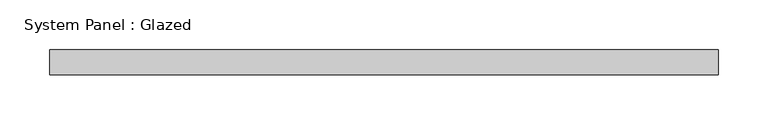
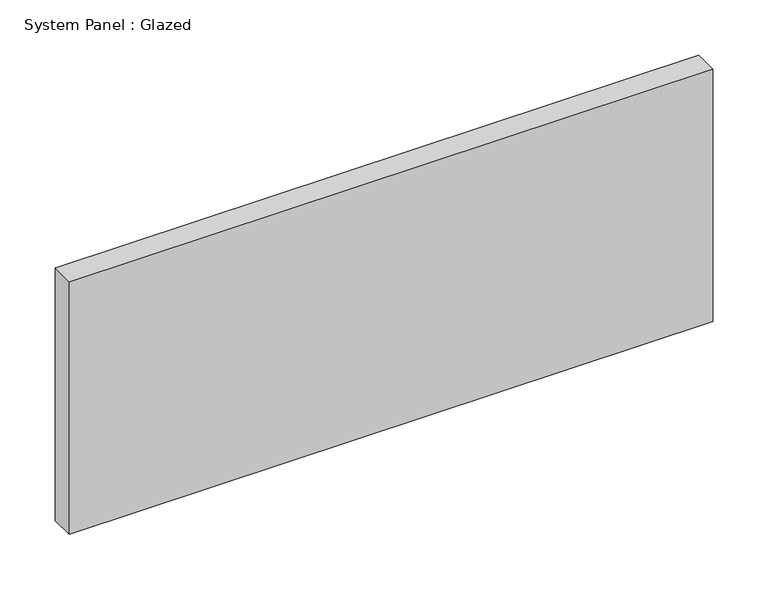
"""IFC4 building model written with IfcOpenShell, lengths in millimetres: plate geometry, System Panel : Glazed."""

import ifcopenshell
import ifcopenshell.guid

model = None  # the IFC model being written
_history = None  # IfcOwnerHistory: only IFC2X3 demands one
_inside = {}  # id of a spatial element -> (the spatial element, [elements in it])
_under = {}  # id of a project, library or spatial element -> (it, [spatial elements below it])
_declared = {}  # id of a project -> (the project, [libraries it declares])
_typed = {}  # id of a type object -> (the type object, [elements of that type])
_made_of = {}  # id of a material, layer set ... -> (it, [elements and type objects made of it])


def new_model(schema):
    """Start an empty IFC model of exactly this schema.

    Asked for "IFC4X3", IfcOpenShell would pick the latest addendum, in which some entities
    have other attributes; the version numbers below select the first issue.
    IFC2X3 requires an IfcOwnerHistory on every rooted entity: one is made here for all.
    """
    global model, _history
    if schema == "IFC4X3":
        model = ifcopenshell.file(schema_version=(4, 3, 0, 0))
    else:
        model = ifcopenshell.file(schema=schema)
    _inside.clear()
    _under.clear()
    _declared.clear()
    _typed.clear()
    _made_of.clear()
    _history = None
    if model.schema == "IFC2X3":
        org = make("IfcOrganization", Name="unknown")
        user = make(
            "IfcPersonAndOrganization",
            ThePerson=make("IfcPerson", FamilyName="unknown"),
            TheOrganization=org,
        )
        app = make(
            "IfcApplication",
            ApplicationDeveloper=org,
            Version="unknown",
            ApplicationFullName="unknown",
            ApplicationIdentifier="unknown",
        )
        _history = make(
            "IfcOwnerHistory",
            OwningUser=user,
            OwningApplication=app,
            ChangeAction="ADDED",
            CreationDate=0,
        )
    return model


def make(cls, **values):
    """One entity of the class cls with the attributes given. An attribute that is None is left unset."""
    return model.create_entity(
        cls, **{name: value for name, value in values.items() if value is not None}
    )


def rooted(cls, **values):
    """An entity with a GlobalId (a new one), such as an element, a storey or a relation."""
    return make(cls, GlobalId=ifcopenshell.guid.new(), OwnerHistory=_history, **values)


def si_unit(unit_type, name, prefix=None):
    """IfcSIUnit, for example si_unit("LENGTHUNIT", "METRE", prefix="MILLI")."""
    return make("IfcSIUnit", UnitType=unit_type, Prefix=prefix, Name=name)


def assignment(units):
    """IfcUnitAssignment: the units of a project."""
    return None if units is None else make("IfcUnitAssignment", Units=units)


def point(xyz):
    """IfcCartesianPoint."""
    return None if xyz is None else make("IfcCartesianPoint", Coordinates=xyz)


def direction(xyz):
    """IfcDirection."""
    return None if xyz is None else make("IfcDirection", DirectionRatios=xyz)


def frame(location, z_axis=None, x_axis=None):
    """IfcAxis2Placement3D, a coordinate frame: its origin and axes. An axis left out is left unset."""
    return make(
        "IfcAxis2Placement3D",
        Location=point(location),
        Axis=direction(z_axis),
        RefDirection=direction(x_axis),
    )


def origin():
    """The frame at (0, 0, 0) with its axes left unset."""
    return frame((0.0, 0.0, 0.0))


def origin_with_axes():
    """The frame at (0, 0, 0) with the z axis (0, 0, 1) and the x axis (1, 0, 0) written out."""
    return frame((0.0, 0.0, 0.0), z_axis=(0.0, 0.0, 1.0), x_axis=(1.0, 0.0, 0.0))


def place(relative_to, where):
    """IfcLocalPlacement: puts the frame where relative to a parent placement (None: the world)."""
    return make(
        "IfcLocalPlacement", PlacementRelTo=relative_to, RelativePlacement=where
    )


def context(
    kind, dimensions, precision=None, world=None, true_north=None, identifier=None
):
    """IfcGeometricRepresentationContext, for example the 3D "Model" context."""
    return make(
        "IfcGeometricRepresentationContext",
        ContextIdentifier=identifier,
        ContextType=kind,
        CoordinateSpaceDimension=dimensions,
        Precision=precision,
        WorldCoordinateSystem=world,
        TrueNorth=true_north,
    )


def project(units=None, contexts=None):
    """IfcProject with its units and contexts."""
    return rooted(
        "IfcProject",
        Name="project",
        RepresentationContexts=contexts,
        UnitsInContext=assignment(units),
    )


def spatial(cls, under=None, at=None, **own):
    """A site, building, storey or space (cls), placed at a placement, below another one or the project."""
    s = rooted(cls, ObjectPlacement=at, **own)
    if under is not None:
        _under.setdefault(under.id(), (under, []))[1].append(s)
    return s


def polyline(points):
    """IfcPolyline through the points."""
    return make("IfcPolyline", Points=[point(p) for p in points])


def outline(outer, holes=None, kind="AREA"):
    """IfcArbitraryClosedProfileDef: a profile drawn as a closed curve; with holes, ...WithVoids."""
    if holes is None:
        return make("IfcArbitraryClosedProfileDef", ProfileType=kind, OuterCurve=outer)
    return make(
        "IfcArbitraryProfileDefWithVoids",
        ProfileType=kind,
        OuterCurve=outer,
        InnerCurves=holes,
    )


def extrude(swept, where, along, depth):
    """IfcExtrudedAreaSolid: the profile swept, set in the frame where, extruded along a direction by depth."""
    return make(
        "IfcExtrudedAreaSolid",
        SweptArea=swept,
        Position=where,
        ExtrudedDirection=direction(along),
        Depth=depth,
    )


def shape(context_of_items, identifier, shape_type, items):
    """IfcShapeRepresentation: the items that make up one representation, for example the "Body"."""
    return make(
        "IfcShapeRepresentation",
        ContextOfItems=context_of_items,
        RepresentationIdentifier=identifier,
        RepresentationType=shape_type,
        Items=items,
    )


def source(mapping_origin, context_of_items, identifier, shape_type, items):
    """IfcRepresentationMap: a shape defined once, which mapped items show again and again."""
    return make(
        "IfcRepresentationMap",
        MappingOrigin=mapping_origin,
        MappedRepresentation=shape(context_of_items, identifier, shape_type, items),
    )


def transform(
    local_origin,
    x_axis=None,
    y_axis=None,
    z_axis=None,
    scale=None,
    scale2=None,
    scale3=None,
    uniform=True,
):
    """IfcCartesianTransformationOperator3D, or its non-uniform kind. x_axis, y_axis, z_axis: its Axis1, 2, 3."""
    if uniform:
        return make(
            "IfcCartesianTransformationOperator3D",
            Axis1=direction(x_axis),
            Axis2=direction(y_axis),
            LocalOrigin=point(local_origin),
            Scale=scale,
            Axis3=direction(z_axis),
        )
    return make(
        "IfcCartesianTransformationOperator3DnonUniform",
        Axis1=direction(x_axis),
        Axis2=direction(y_axis),
        LocalOrigin=point(local_origin),
        Scale=scale,
        Axis3=direction(z_axis),
        Scale2=scale2,
        Scale3=scale3,
    )


def mapped(mapping_source, mapping_target):
    """IfcMappedItem: shows the shape of a source again, moved by a transform."""
    return make(
        "IfcMappedItem", MappingSource=mapping_source, MappingTarget=mapping_target
    )


def made_of(thing, what):
    """Note that an element or type object is made of a material, layer set ...; save() writes the relation."""
    if what is not None:
        _made_of.setdefault(what.id(), (what, []))[1].append(thing)
    return thing


def element(
    cls,
    number,
    at=None,
    inside=None,
    cuts=None,
    type_object=None,
    material=None,
    context=None,
    identifier="Body",
    shape_type=None,
    held_by="IfcProductDefinitionShape",
    body=None,
    shapes=None,
    **own,
):
    """One element of the class cls, such as IfcWall. Its Tag is "e" and its number.

    at: its placement. inside: the storey or other place that contains it. cuts: it is an
    opening in that element (IfcRelVoidsElement). A single representation is given by context,
    identifier, shape_type and body (its items); several are given by shapes. held_by: the class
    of the entity that holds the representations. save() writes the other relations.
    """
    e = rooted(cls, Tag="e%d" % number, ObjectPlacement=at, **own)
    if body is not None:
        shapes = [shape(context, identifier, shape_type, body)]
    if shapes is not None:
        e.Representation = make(held_by, Representations=shapes)
    if inside is not None:
        _inside.setdefault(inside.id(), (inside, []))[1].append(e)
    if cuts is not None:
        rooted(
            "IfcRelVoidsElement", RelatingBuildingElement=cuts, RelatedOpeningElement=e
        )
    if type_object is not None:
        _typed.setdefault(type_object.id(), (type_object, []))[1].append(e)
    return made_of(e, material)


def aggregate(whole, parts):
    """IfcRelAggregates: a whole, such as a stair, and the parts it consists of."""
    return rooted("IfcRelAggregates", RelatingObject=whole, RelatedObjects=parts)


def save(model, path):
    """Write the relations noted so far, then the file.

    IfcRelAggregates (storeys below a building ...), IfcRelContainedInSpatialStructure (elements
    in a storey), IfcRelDefinesByType, IfcRelAssociatesMaterial and IfcRelDeclares: one each for
    every whole, place, type object, material and project.
    """
    for whole, parts in _under.values():
        aggregate(whole, parts)
    for where, things in _inside.values():
        rooted(
            "IfcRelContainedInSpatialStructure",
            RelatedElements=things,
            RelatingStructure=where,
        )
    for kind, things in _typed.values():
        rooted("IfcRelDefinesByType", RelatedObjects=things, RelatingType=kind)
    for what, things in _made_of.values():
        rooted("IfcRelAssociatesMaterial", RelatedObjects=things, RelatingMaterial=what)
    for by, libraries in _declared.values():
        rooted("IfcRelDeclares", RelatingContext=by, RelatedDefinitions=libraries)
    model.write(path)


def system_panel_glazed_697a596d(model_context):
    return source(origin(), model_context, "Body", "SweptSolid", [
        extrude(outline(polyline([(336.55, -44.45), (-336.55, -44.45), (-336.55, -19.05), (336.55, -19.05), (336.55, -44.45)])), origin_with_axes(), (0.0, 0.0, 1.0), 279.4),
    ])


if __name__ == "__main__":
    model = new_model("IFC4")
    model_context = context("Model", 3, world=origin())
    ifc_project = project(units=[si_unit("LENGTHUNIT", "METRE", prefix="MILLI")], contexts=[model_context])
    site = spatial("IfcSite", under=ifc_project)
    building = spatial("IfcBuilding", under=site)
    placement = place(None, origin())
    system_panel_glazed_shape = system_panel_glazed_697a596d(model_context)
    element("IfcPlate", 1, ObjectType="System Panel : Glazed", at=placement, inside=building, context=model_context, shape_type="MappedRepresentation", body=[
        mapped(system_panel_glazed_shape, transform((0.0, 0.0, 0.0), x_axis=(1.0, 0.0, 0.0), y_axis=(0.0, 1.0, 0.0), z_axis=(0.0, 0.0, 1.0))),
    ])
    save(model, "model.ifc")
